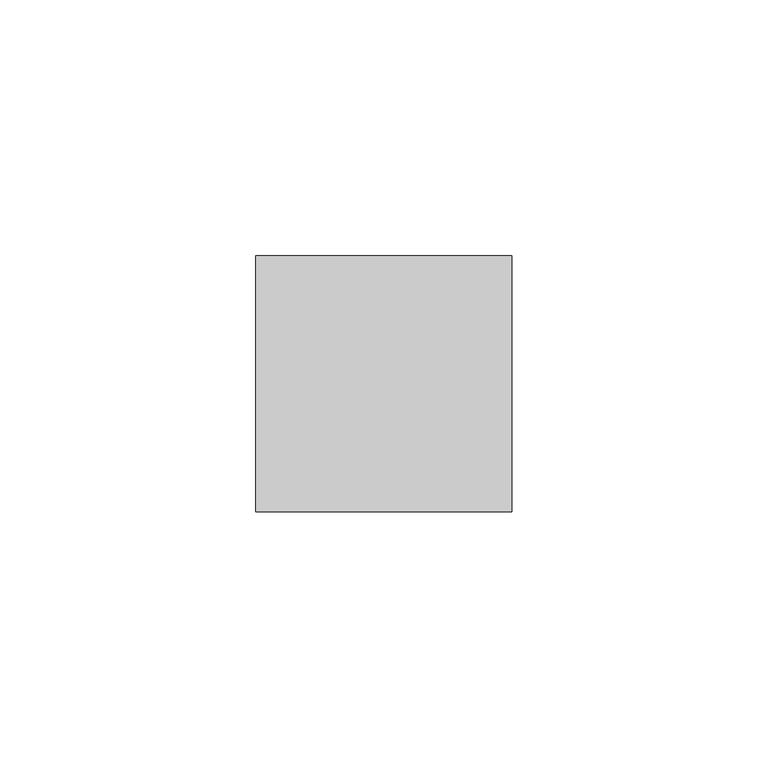
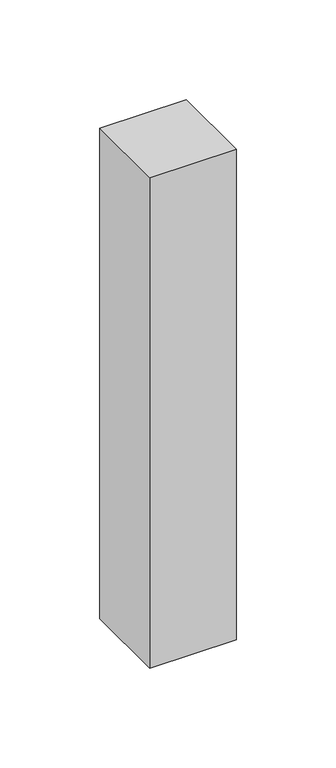
"""IFC4 building model written with IfcOpenShell, lengths in millimetres: member geometry."""

from ifc_helpers import new_model, si_unit, frame, origin, place, context, project, spatial, polyline, outline, extrude, source, transform, mapped, element, save


def member_0c2b036f(model_context):
    return source(origin(), model_context, "Body", "SweptSolid", [
        extrude(outline(polyline([(25.0, 25.0), (25.0, -25.0), (-25.0, -25.0), (-25.0, 25.0), (25.0, 25.0)])), frame((0.0, 0.0, -300.0), z_axis=(0.0, 0.0, 1.0), x_axis=(1.0, 0.0, 0.0)), (0.0, 0.0, 1.0), 300.0),
    ])


if __name__ == "__main__":
    model = new_model("IFC4")
    model_context = context("Model", 3, world=origin())
    ifc_project = project(units=[si_unit("LENGTHUNIT", "METRE", prefix="MILLI")], contexts=[model_context])
    site = spatial("IfcSite", under=ifc_project)
    building = spatial("IfcBuilding", under=site)
    placement = place(None, origin())
    member_shape = member_0c2b036f(model_context)
    element("IfcMember", 1, at=placement, inside=building, context=model_context, shape_type="MappedRepresentation", body=[
        mapped(member_shape, transform((0.0, 0.0, 0.0), x_axis=(1.0, 0.0, 0.0), y_axis=(0.0, 1.0, 0.0), z_axis=(0.0, 0.0, 1.0))),
    ])
    save(model, "model.ifc")
